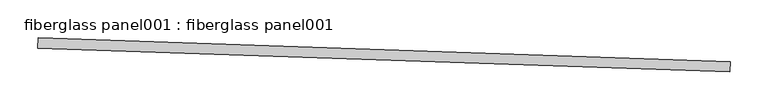
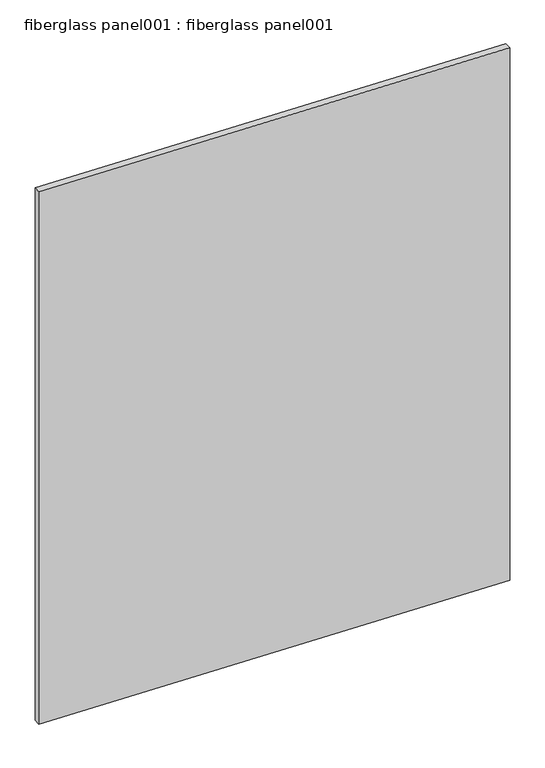
"""IFC4 building model written with IfcOpenShell, lengths in millimetres: proxy geometry, fiberglass panel001 : fiberglass panel001."""

import ifcopenshell
import ifcopenshell.guid

model = None  # the IFC model being written
_history = None  # IfcOwnerHistory: only IFC2X3 demands one
_inside = {}  # id of a spatial element -> (the spatial element, [elements in it])
_under = {}  # id of a project, library or spatial element -> (it, [spatial elements below it])
_declared = {}  # id of a project -> (the project, [libraries it declares])
_typed = {}  # id of a type object -> (the type object, [elements of that type])
_made_of = {}  # id of a material, layer set ... -> (it, [elements and type objects made of it])


def new_model(schema):
    """Start an empty IFC model of exactly this schema.

    Asked for "IFC4X3", IfcOpenShell would pick the latest addendum, in which some entities
    have other attributes; the version numbers below select the first issue.
    IFC2X3 requires an IfcOwnerHistory on every rooted entity: one is made here for all.
    """
    global model, _history
    if schema == "IFC4X3":
        model = ifcopenshell.file(schema_version=(4, 3, 0, 0))
    else:
        model = ifcopenshell.file(schema=schema)
    _inside.clear()
    _under.clear()
    _declared.clear()
    _typed.clear()
    _made_of.clear()
    _history = None
    if model.schema == "IFC2X3":
        org = make("IfcOrganization", Name="unknown")
        user = make(
            "IfcPersonAndOrganization",
            ThePerson=make("IfcPerson", FamilyName="unknown"),
            TheOrganization=org,
        )
        app = make(
            "IfcApplication",
            ApplicationDeveloper=org,
            Version="unknown",
            ApplicationFullName="unknown",
            ApplicationIdentifier="unknown",
        )
        _history = make(
            "IfcOwnerHistory",
            OwningUser=user,
            OwningApplication=app,
            ChangeAction="ADDED",
            CreationDate=0,
        )
    return model


def make(cls, **values):
    """One entity of the class cls with the attributes given. An attribute that is None is left unset."""
    return model.create_entity(
        cls, **{name: value for name, value in values.items() if value is not None}
    )


def rooted(cls, **values):
    """An entity with a GlobalId (a new one), such as an element, a storey or a relation."""
    return make(cls, GlobalId=ifcopenshell.guid.new(), OwnerHistory=_history, **values)


def si_unit(unit_type, name, prefix=None):
    """IfcSIUnit, for example si_unit("LENGTHUNIT", "METRE", prefix="MILLI")."""
    return make("IfcSIUnit", UnitType=unit_type, Prefix=prefix, Name=name)


def assignment(units):
    """IfcUnitAssignment: the units of a project."""
    return None if units is None else make("IfcUnitAssignment", Units=units)


def point(xyz):
    """IfcCartesianPoint."""
    return None if xyz is None else make("IfcCartesianPoint", Coordinates=xyz)


def direction(xyz):
    """IfcDirection."""
    return None if xyz is None else make("IfcDirection", DirectionRatios=xyz)


def frame(location, z_axis=None, x_axis=None):
    """IfcAxis2Placement3D, a coordinate frame: its origin and axes. An axis left out is left unset."""
    return make(
        "IfcAxis2Placement3D",
        Location=point(location),
        Axis=direction(z_axis),
        RefDirection=direction(x_axis),
    )


def origin():
    """The frame at (0, 0, 0) with its axes left unset."""
    return frame((0.0, 0.0, 0.0))


def place(relative_to, where):
    """IfcLocalPlacement: puts the frame where relative to a parent placement (None: the world)."""
    return make(
        "IfcLocalPlacement", PlacementRelTo=relative_to, RelativePlacement=where
    )


def context(
    kind, dimensions, precision=None, world=None, true_north=None, identifier=None
):
    """IfcGeometricRepresentationContext, for example the 3D "Model" context."""
    return make(
        "IfcGeometricRepresentationContext",
        ContextIdentifier=identifier,
        ContextType=kind,
        CoordinateSpaceDimension=dimensions,
        Precision=precision,
        WorldCoordinateSystem=world,
        TrueNorth=true_north,
    )


def project(units=None, contexts=None):
    """IfcProject with its units and contexts."""
    return rooted(
        "IfcProject",
        Name="project",
        RepresentationContexts=contexts,
        UnitsInContext=assignment(units),
    )


def spatial(cls, under=None, at=None, **own):
    """A site, building, storey or space (cls), placed at a placement, below another one or the project."""
    s = rooted(cls, ObjectPlacement=at, **own)
    if under is not None:
        _under.setdefault(under.id(), (under, []))[1].append(s)
    return s


def polyline(points):
    """IfcPolyline through the points."""
    return make("IfcPolyline", Points=[point(p) for p in points])


def outline(outer, holes=None, kind="AREA"):
    """IfcArbitraryClosedProfileDef: a profile drawn as a closed curve; with holes, ...WithVoids."""
    if holes is None:
        return make("IfcArbitraryClosedProfileDef", ProfileType=kind, OuterCurve=outer)
    return make(
        "IfcArbitraryProfileDefWithVoids",
        ProfileType=kind,
        OuterCurve=outer,
        InnerCurves=holes,
    )


def extrude(swept, where, along, depth):
    """IfcExtrudedAreaSolid: the profile swept, set in the frame where, extruded along a direction by depth."""
    return make(
        "IfcExtrudedAreaSolid",
        SweptArea=swept,
        Position=where,
        ExtrudedDirection=direction(along),
        Depth=depth,
    )


def shape(context_of_items, identifier, shape_type, items):
    """IfcShapeRepresentation: the items that make up one representation, for example the "Body"."""
    return make(
        "IfcShapeRepresentation",
        ContextOfItems=context_of_items,
        RepresentationIdentifier=identifier,
        RepresentationType=shape_type,
        Items=items,
    )


def source(mapping_origin, context_of_items, identifier, shape_type, items):
    """IfcRepresentationMap: a shape defined once, which mapped items show again and again."""
    return make(
        "IfcRepresentationMap",
        MappingOrigin=mapping_origin,
        MappedRepresentation=shape(context_of_items, identifier, shape_type, items),
    )


def transform(
    local_origin,
    x_axis=None,
    y_axis=None,
    z_axis=None,
    scale=None,
    scale2=None,
    scale3=None,
    uniform=True,
):
    """IfcCartesianTransformationOperator3D, or its non-uniform kind. x_axis, y_axis, z_axis: its Axis1, 2, 3."""
    if uniform:
        return make(
            "IfcCartesianTransformationOperator3D",
            Axis1=direction(x_axis),
            Axis2=direction(y_axis),
            LocalOrigin=point(local_origin),
            Scale=scale,
            Axis3=direction(z_axis),
        )
    return make(
        "IfcCartesianTransformationOperator3DnonUniform",
        Axis1=direction(x_axis),
        Axis2=direction(y_axis),
        LocalOrigin=point(local_origin),
        Scale=scale,
        Axis3=direction(z_axis),
        Scale2=scale2,
        Scale3=scale3,
    )


def mapped(mapping_source, mapping_target):
    """IfcMappedItem: shows the shape of a source again, moved by a transform."""
    return make(
        "IfcMappedItem", MappingSource=mapping_source, MappingTarget=mapping_target
    )


def made_of(thing, what):
    """Note that an element or type object is made of a material, layer set ...; save() writes the relation."""
    if what is not None:
        _made_of.setdefault(what.id(), (what, []))[1].append(thing)
    return thing


def element(
    cls,
    number,
    at=None,
    inside=None,
    cuts=None,
    type_object=None,
    material=None,
    context=None,
    identifier="Body",
    shape_type=None,
    held_by="IfcProductDefinitionShape",
    body=None,
    shapes=None,
    **own,
):
    """One element of the class cls, such as IfcWall. Its Tag is "e" and its number.

    at: its placement. inside: the storey or other place that contains it. cuts: it is an
    opening in that element (IfcRelVoidsElement). A single representation is given by context,
    identifier, shape_type and body (its items); several are given by shapes. held_by: the class
    of the entity that holds the representations. save() writes the other relations.
    """
    e = rooted(cls, Tag="e%d" % number, ObjectPlacement=at, **own)
    if body is not None:
        shapes = [shape(context, identifier, shape_type, body)]
    if shapes is not None:
        e.Representation = make(held_by, Representations=shapes)
    if inside is not None:
        _inside.setdefault(inside.id(), (inside, []))[1].append(e)
    if cuts is not None:
        rooted(
            "IfcRelVoidsElement", RelatingBuildingElement=cuts, RelatedOpeningElement=e
        )
    if type_object is not None:
        _typed.setdefault(type_object.id(), (type_object, []))[1].append(e)
    return made_of(e, material)


def aggregate(whole, parts):
    """IfcRelAggregates: a whole, such as a stair, and the parts it consists of."""
    return rooted("IfcRelAggregates", RelatingObject=whole, RelatedObjects=parts)


def save(model, path):
    """Write the relations noted so far, then the file.

    IfcRelAggregates (storeys below a building ...), IfcRelContainedInSpatialStructure (elements
    in a storey), IfcRelDefinesByType, IfcRelAssociatesMaterial and IfcRelDeclares: one each for
    every whole, place, type object, material and project.
    """
    for whole, parts in _under.values():
        aggregate(whole, parts)
    for where, things in _inside.values():
        rooted(
            "IfcRelContainedInSpatialStructure",
            RelatedElements=things,
            RelatingStructure=where,
        )
    for kind, things in _typed.values():
        rooted("IfcRelDefinesByType", RelatedObjects=things, RelatingType=kind)
    for what, things in _made_of.values():
        rooted("IfcRelAssociatesMaterial", RelatedObjects=things, RelatingMaterial=what)
    for by, libraries in _declared.values():
        rooted("IfcRelDeclares", RelatingContext=by, RelatedDefinitions=libraries)
    model.write(path)


def fiberglass_panel001_fiberglass_panel001_87efdc14(model_context):
    return source(origin(), model_context, "Body", "SweptSolid", [
        extrude(outline(polyline([(18231.5350548, -14277.7748007), (18231.0728538, -14291.280839), (17317.2078255, -14260.0067267), (17317.6700266, -14246.5006885), (18231.5350548, -14277.7748007)])), frame((0.0, 0.0, 3062.001361), z_axis=(0.0, 0.0, 1.0), x_axis=(1.0, 0.0, 0.0)), (0.0, 0.0, 1.0), 1114.0747098),
    ])


if __name__ == "__main__":
    model = new_model("IFC4")
    model_context = context("Model", 3, world=origin())
    ifc_project = project(units=[si_unit("LENGTHUNIT", "METRE", prefix="MILLI")], contexts=[model_context])
    site = spatial("IfcSite", under=ifc_project)
    building = spatial("IfcBuilding", under=site)
    placement = place(None, origin())
    fiberglass_panel001_fiberglass_panel001_shape = fiberglass_panel001_fiberglass_panel001_87efdc14(model_context)
    element("IfcBuildingElementProxy", 1, Name="fiberglass panel001 : fiberglass panel001", ObjectType="fiberglass panel001 : fiberglass panel001", at=placement, inside=building, context=model_context, shape_type="MappedRepresentation", body=[
        mapped(fiberglass_panel001_fiberglass_panel001_shape, transform((0.0, 0.0, 0.0), x_axis=(1.0, 0.0, 0.0), y_axis=(0.0, 1.0, 0.0), z_axis=(0.0, 0.0, 1.0))),
    ])
    save(model, "model.ifc")
